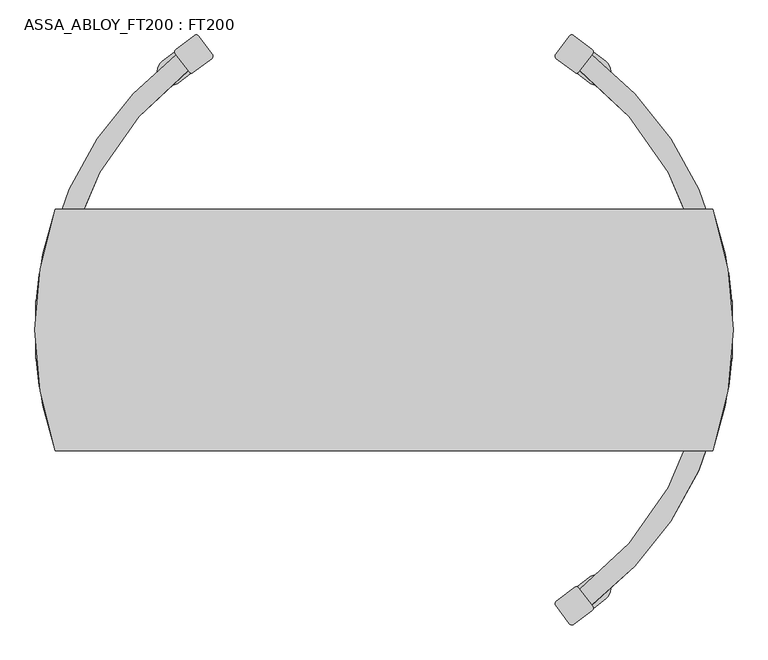
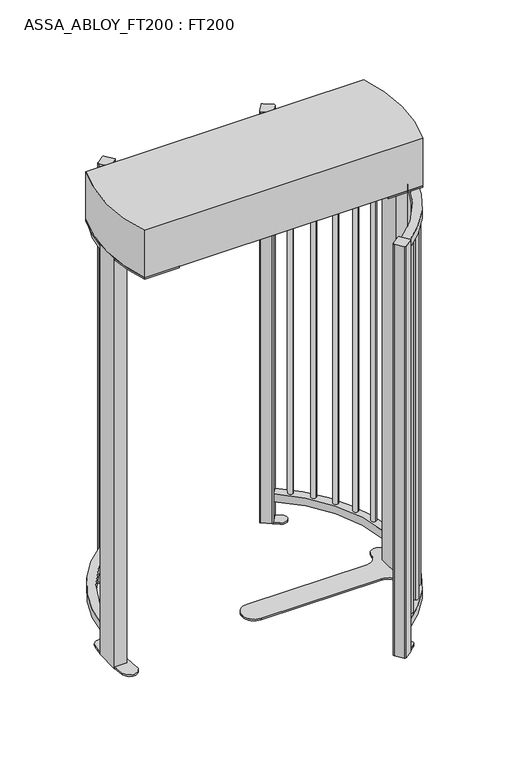
"""IFC4 building model written with IfcOpenShell, lengths in millimetres: proxy geometry, ASSA_ABLOY_FT200 : FT200."""

from ifc_helpers import new_model, si_unit, point, frame, frame_2d, origin, origin_with_axes, origin_2d, place, context, project, spatial, polyline, circle_curve, trimmed, segment, composite_curve, outline, extrude, source, transform, mapped, element, save
from ifc_brep_helpers import plane_surface, cylinder_surface, revolved_surface, advanced_brep


def assa_abloy_ft200_ft200_b0174876(model_context):
    return source(origin(), model_context, "Body", "SolidModel", [
        extrude(outline(composite_curve([segment(trimmed(circle_curve(origin_2d(), 672.9655826), [point((-405.4696607, 537.1005768))], [point((-670.2855178, 60.0))], True, "CARTESIAN"), True, "CONTINUOUS"), segment(polyline([(-670.2855178, 60.0), (-710.4364306, 60.0)]), True, "CONTINUOUS"), segment(trimmed(circle_curve(origin_2d(), 712.9655826), [point((-710.4364306, 60.0))], [point((-429.5701301, 569.0249778))], False, "CARTESIAN"), True, "CONTINUOUS"), segment(polyline([(-429.5701301, 569.0249778), (-405.4696607, 537.1005768)]), True, "CONTINUOUS")], self_intersect=False)), frame((0.0, 0.0, 108.5), z_axis=(0.0, 0.0, 1.0), x_axis=(1.0, 0.0, 0.0)), (0.0, 0.0, 1.0), 40.0),
        extrude(outline(composite_curve([segment(trimmed(circle_curve(origin_2d(), 672.9655826), [point((-405.4696607, 537.1005768))], [point((-670.2855178, 60.0))], True, "CARTESIAN"), True, "CONTINUOUS"), segment(polyline([(-670.2855178, 60.0), (-710.4364306, 60.0)]), True, "CONTINUOUS"), segment(trimmed(circle_curve(origin_2d(), 712.9655826), [point((-710.4364306, 60.0))], [point((-429.5701301, 569.0249778))], False, "CARTESIAN"), True, "CONTINUOUS"), segment(polyline([(-429.5701301, 569.0249778), (-405.4696607, 537.1005768)]), True, "CONTINUOUS")], self_intersect=False)), frame((0.0, 0.0, 2077.0), z_axis=(0.0, 0.0, 1.0), x_axis=(1.0, 0.0, 0.0)), (0.0, 0.0, 1.0), 40.0),
        extrude(outline(composite_curve([segment(trimmed(circle_curve(frame_2d((-388.9402164, 604.1259242)), 6.4), [point((-392.7962915, 609.2338283))], [point((-383.8323123, 607.9819993))], False, "CARTESIAN"), True, "CONTINUOUS"), segment(polyline([(-383.8323123, 607.9819993), (-355.3937584, 570.3112062)]), True, "CONTINUOUS"), segment(trimmed(circle_curve(frame_2d((-360.5016625, 566.4551311)), 6.4), [point((-355.3937584, 570.3112062))], [point((-356.6455874, 561.3472269))], False, "CARTESIAN"), True, "CONTINUOUS"), segment(polyline([(-356.6455874, 561.3472269), (-394.2971249, 532.9232096)]), True, "CONTINUOUS"), segment(trimmed(circle_curve(frame_2d((-398.1532, 538.0311137)), 6.4), [point((-394.2971249, 532.9232096))], [point((-403.2611041, 534.1750386))], False, "CARTESIAN"), True, "CONTINUOUS"), segment(polyline([(-403.2611041, 534.1750386), (-431.699658, 571.8458317)]), True, "CONTINUOUS"), segment(trimmed(circle_curve(frame_2d((-426.5917539, 575.7019068)), 6.4), [point((-431.699658, 571.8458317))], [point((-430.447829, 580.809811))], False, "CARTESIAN"), True, "CONTINUOUS"), segment(polyline([(-430.447829, 580.809811), (-392.7962915, 609.2338283)]), True, "CONTINUOUS")], self_intersect=False)), origin_with_axes(), (0.0, 0.0, 1.0), 2130.0),
        extrude(outline(composite_curve([segment(trimmed(circle_curve(frame_2d((41.8928366, -55.4928491)), 734.3647421), [point((-400.5705382, 530.6110124))], [point((-423.2917391, 512.7455561))], True, "CARTESIAN"), True, "CONTINUOUS"), segment(trimmed(circle_curve(frame_2d((-441.0283859, 534.4114592)), 28.0), [point((-423.2917391, 512.7455561))], [point((-458.7650328, 556.0773623))], False, "CARTESIAN"), True, "CONTINUOUS"), segment(trimmed(circle_curve(frame_2d((41.8928366, -55.4928491)), 790.3647421), [point((-458.7650328, 556.0773623))], [point((-434.3111954, 575.3051737))], False, "CARTESIAN"), True, "CONTINUOUS"), segment(polyline([(-434.3111954, 575.3051737), (-400.5705382, 530.6110124)]), True, "CONTINUOUS")], self_intersect=False)), origin_with_axes(), (0.0, 0.0, 1.0), 8.0),
        advanced_brep(
        [(672.1714963, -168.5710324, 148.5), (677.7624423, -144.2042311, 148.5), (672.1714963, -168.5710324, 2077.0), (677.7971029, -144.2122099, 2077.0)],
        [
            (0, 1, circle_curve(frame((674.9756359, -156.3896203, 148.5), z_axis=(0.0, 0.0, -1.0), x_axis=(0.22571736015093904, 0.9741928316952919, 0.0)), 12.5)),
            (1, 0, circle_curve(frame((674.9756359, -156.3896203, 148.5), z_axis=(0.0, 0.0, -1.0), x_axis=(0.22571736015093904, 0.9741928316952919, 0.0)), 12.5)),
            (2, 3, circle_curve(frame((674.9756359, -156.3896203, 2077.0), z_axis=(0.0, 0.0, 1.0), x_axis=(0.22571736015093904, 0.9741928316952919, 0.0)), 12.5)),
            (3, 2, circle_curve(frame((674.9756359, -156.3896203, 2077.0), z_axis=(0.0, 0.0, 1.0), x_axis=(0.22571736015093904, 0.9741928316952919, 0.0)), 12.5)),
            (1, 3),
            (2, 0),
        ],
        [
            plane_surface(frame((675.0182131, -156.3995588, 148.5), z_axis=(0.0, 0.0, -1.0), x_axis=(0.9741928316952919, -0.22571736015093904, 0.0))),
            plane_surface(frame((675.0182131, -156.3995588, 2077.0), z_axis=(0.0, 0.0, 1.0), x_axis=(0.9741928316952919, -0.22571736015093904, 0.0))),
            cylinder_surface(frame((674.9756359, -156.3896203, 148.5), z_axis=(0.0, 0.0, -1.0), x_axis=(0.22571736015093904, 0.9741928316952919, 0.0)), 12.5),
        ],
        [
            (0, [[1, 2]]),
            (1, [[3, 4]]),
            (2, [[5, -3, 6, -2]]),
            (2, [[-6, -4, -5, -1]]),
        ],
    ),
        advanced_brep(
        [(648.8913928, -243.2502324, 148.5), (639.6786074, -266.4908061, 148.5), (648.8913928, -243.2502324, 2077.0), (639.6455551, -266.4776767, 2077.0)],
        [
            (0, 1, circle_curve(frame((644.2767347, -254.8672428, 148.5), z_axis=(0.0, 0.0, -1.0), x_axis=(0.36785018396747954, 0.9298850693258235, 0.0)), 12.5)),
            (1, 0, circle_curve(frame((644.2767347, -254.8672428, 148.5), z_axis=(0.0, 0.0, -1.0), x_axis=(0.36785018396747954, 0.9298850693258235, 0.0)), 12.5)),
            (2, 3, circle_curve(frame((644.2767347, -254.8672428, 2077.0), z_axis=(0.0, 0.0, 1.0), x_axis=(0.36785018396747954, 0.9298850693258235, 0.0)), 12.5)),
            (3, 2, circle_curve(frame((644.2767347, -254.8672428, 2077.0), z_axis=(0.0, 0.0, 1.0), x_axis=(0.36785018396747954, 0.9298850693258235, 0.0)), 12.5)),
            (1, 3),
            (2, 0),
        ],
        [
            plane_surface(frame((644.3173645, -254.8833925, 148.5), z_axis=(0.0, 0.0, -1.0000000000000002), x_axis=(0.9298850693258235, -0.36785018396747954, 0.0))),
            plane_surface(frame((644.3173645, -254.8833925, 2077.0), z_axis=(0.0, 0.0, 1.0000000000000002), x_axis=(0.9298850693258235, -0.36785018396747954, 0.0))),
            cylinder_surface(frame((644.2767347, -254.8672428, 148.5), z_axis=(0.0, 0.0, -1.0000000000000002), x_axis=(0.36785018396747954, 0.9298850693258235, 0.0)), 12.5),
        ],
        [
            (0, [[1, 2]]),
            (1, [[3, 4]]),
            (2, [[5, -3, 6, -2]]),
            (2, [[-6, -4, -5, -1]]),
        ],
    ),
        advanced_brep(
        [(605.5857382, -336.8926075, 148.5), (593.0246225, -358.5078349, 148.5), (605.5857382, -336.8926075, 2077.0), (592.9938858, -358.4899438, 2077.0)],
        [
            (0, 1, circle_curve(frame((599.297493, -347.6957539, 148.5), z_axis=(0.0, 0.0, -1.0), x_axis=(0.5018296388362806, 0.8649664811918715, 0.0)), 12.5)),
            (1, 0, circle_curve(frame((599.297493, -347.6957539, 148.5), z_axis=(0.0, 0.0, -1.0), x_axis=(0.5018296388362806, 0.8649664811918715, 0.0)), 12.5)),
            (2, 3, circle_curve(frame((599.297493, -347.6957539, 2077.0), z_axis=(0.0, 0.0, 1.0), x_axis=(0.5018296388362806, 0.8649664811918715, 0.0)), 12.5)),
            (3, 2, circle_curve(frame((599.297493, -347.6957539, 2077.0), z_axis=(0.0, 0.0, 1.0), x_axis=(0.5018296388362806, 0.8649664811918715, 0.0)), 12.5)),
            (1, 3),
            (2, 0),
        ],
        [
            plane_surface(frame((599.3352748, -347.7177567, 148.5), z_axis=(0.0, 0.0, -1.0), x_axis=(0.8649664811918715, -0.5018296388362806, 0.0))),
            plane_surface(frame((599.3352748, -347.7177567, 2077.0), z_axis=(0.0, 0.0, 1.0), x_axis=(0.8649664811918715, -0.5018296388362806, 0.0))),
            cylinder_surface(frame((599.297493, -347.6957539, 148.5), z_axis=(0.0, 0.0, -1.0), x_axis=(0.5018296388362806, 0.8649664811918715, 0.0)), 12.5),
        ],
        [
            (0, [[1, 2]]),
            (1, [[3, 4]]),
            (2, [[5, -3, 6, -2]]),
            (2, [[-6, -4, -5, -1]]),
        ],
    ),
        advanced_brep(
        [(548.6950488, -423.2782285, 148.5), (533.0565381, -442.7830143, 148.5), (548.6950488, -423.2782285, 2077.0), (533.0288068, -442.7607475, 2077.0)],
        [
            (0, 1, circle_curve(frame((540.8688566, -433.0250596, 148.5), z_axis=(0.0, 0.0, -1.0), x_axis=(0.6249854827810994, 0.7806363726555894, 0.0)), 12.5)),
            (1, 0, circle_curve(frame((540.8688566, -433.0250596, 148.5), z_axis=(0.0, 0.0, -1.0), x_axis=(0.6249854827810994, 0.7806363726555894, 0.0)), 12.5)),
            (2, 3, circle_curve(frame((540.8688566, -433.0250596, 2077.0), z_axis=(0.0, 0.0, 1.0), x_axis=(0.6249854827810994, 0.7806363726555894, 0.0)), 12.5)),
            (3, 2, circle_curve(frame((540.8688566, -433.0250596, 2077.0), z_axis=(0.0, 0.0, 1.0), x_axis=(0.6249854827810994, 0.7806363726555894, 0.0)), 12.5)),
            (1, 3),
            (2, 0),
        ],
        [
            plane_surface(frame((540.9029426, -433.052441, 148.5), z_axis=(0.0, 0.0, -1.0000000000000002), x_axis=(0.7806363726555894, -0.6249854827810994, 0.0))),
            plane_surface(frame((540.9029426, -433.052441, 2077.0), z_axis=(0.0, 0.0, 1.0000000000000002), x_axis=(0.7806363726555894, -0.6249854827810994, 0.0))),
            cylinder_surface(frame((540.8688566, -433.0250596, 148.5), z_axis=(0.0, 0.0, -1.0000000000000002), x_axis=(0.6249854827810994, 0.7806363726555894, 0.0)), 12.5),
        ],
        [
            (0, [[1, 2]]),
            (1, [[3, 4]]),
            (2, [[5, -3, 6, -2]]),
            (2, [[-6, -4, -5, -1]]),
        ],
    ),
        advanced_brep(
        [(479.7291651, -500.038821, 148.5), (461.3781315, -517.0164405, 148.5), (479.7291651, -500.038821, 2077.0), (461.3750791, -517.0131405, 2077.0)],
        [
            (0, 1, circle_curve(frame((470.5528851, -508.5268058, 148.5), z_axis=(0.0, 0.0, -1.0), x_axis=(0.733980288863185, 0.6791707705432527, 0.0)), 12.5)),
            (1, 0, circle_curve(frame((470.5528851, -508.5268058, 148.5), z_axis=(0.0, 0.0, -1.0), x_axis=(0.733980288863185, 0.6791707705432527, 0.0)), 12.5)),
            (2, 3, circle_curve(frame((470.5528851, -508.5268058, 2077.0), z_axis=(0.0, 0.0, 1.0), x_axis=(0.733980288863185, 0.6791707705432527, 0.0)), 12.5)),
            (3, 2, circle_curve(frame((470.5528851, -508.5268058, 2077.0), z_axis=(0.0, 0.0, 1.0), x_axis=(0.733980288863185, 0.6791707705432527, 0.0)), 12.5)),
            (1, 3),
            (2, 0),
        ],
        [
            plane_surface(frame((470.5974269, -508.5749422, 148.5), z_axis=(0.0, 0.0, -1.0000000000000002), x_axis=(0.6791707705432527, -0.733980288863185, 0.0))),
            plane_surface(frame((470.5974269, -508.5749422, 2077.0), z_axis=(0.0, 0.0, 1.0000000000000002), x_axis=(0.6791707705432527, -0.733980288863185, 0.0))),
            cylinder_surface(frame((470.5528851, -508.5268058, 148.5), z_axis=(0.0, 0.0, -1.0000000000000002), x_axis=(0.733980288863185, 0.6791707705432527, 0.0)), 12.5),
        ],
        [
            (0, [[1, 2]]),
            (1, [[3, 4]]),
            (2, [[5, -3, 6, -2]]),
            (2, [[-6, -4, -5, -1]]),
        ],
    ),
        extrude(outline(composite_curve([segment(trimmed(circle_curve(origin_2d(), 672.9655826), [point((405.4696607, -537.1005768))], [point((670.2855178, -60.0))], True, "CARTESIAN"), True, "CONTINUOUS"), segment(polyline([(670.2855178, -60.0), (710.4364306, -60.0)]), True, "CONTINUOUS"), segment(trimmed(circle_curve(origin_2d(), 712.9655826), [point((710.4364306, -60.0))], [point((429.5701301, -569.0249778))], False, "CARTESIAN"), True, "CONTINUOUS"), segment(polyline([(429.5701301, -569.0249778), (405.4696607, -537.1005768)]), True, "CONTINUOUS")], self_intersect=False)), frame((0.0, 0.0, 108.5), z_axis=(0.0, 0.0, 1.0), x_axis=(1.0, 0.0, 0.0)), (0.0, 0.0, 1.0), 40.0),
        extrude(outline(composite_curve([segment(trimmed(circle_curve(origin_2d(), 672.9655826), [point((405.4696607, -537.1005768))], [point((670.2855178, -60.0))], True, "CARTESIAN"), True, "CONTINUOUS"), segment(polyline([(670.2855178, -60.0), (710.4364306, -60.0)]), True, "CONTINUOUS"), segment(trimmed(circle_curve(origin_2d(), 712.9655826), [point((710.4364306, -60.0))], [point((429.5701301, -569.0249778))], False, "CARTESIAN"), True, "CONTINUOUS"), segment(polyline([(429.5701301, -569.0249778), (405.4696607, -537.1005768)]), True, "CONTINUOUS")], self_intersect=False)), frame((0.0, 0.0, 2077.0), z_axis=(0.0, 0.0, 1.0), x_axis=(1.0, 0.0, 0.0)), (0.0, 0.0, 1.0), 40.0),
        extrude(outline(composite_curve([segment(trimmed(circle_curve(frame_2d((388.9402164, -604.1259242)), 6.4), [point((392.7962915, -609.2338283))], [point((383.8323123, -607.9819993))], False, "CARTESIAN"), True, "CONTINUOUS"), segment(polyline([(383.8323123, -607.9819993), (355.3937584, -570.3112062)]), True, "CONTINUOUS"), segment(trimmed(circle_curve(frame_2d((360.5016625, -566.4551311)), 6.4), [point((355.3937584, -570.3112062))], [point((356.6455874, -561.3472269))], False, "CARTESIAN"), True, "CONTINUOUS"), segment(polyline([(356.6455874, -561.3472269), (394.2971249, -532.9232096)]), True, "CONTINUOUS"), segment(trimmed(circle_curve(frame_2d((398.1532, -538.0311137)), 6.4), [point((394.2971249, -532.9232096))], [point((403.2611041, -534.1750386))], False, "CARTESIAN"), True, "CONTINUOUS"), segment(polyline([(403.2611041, -534.1750386), (431.699658, -571.8458317)]), True, "CONTINUOUS"), segment(trimmed(circle_curve(frame_2d((426.5917539, -575.7019068)), 6.4), [point((431.699658, -571.8458317))], [point((430.447829, -580.809811))], False, "CARTESIAN"), True, "CONTINUOUS"), segment(polyline([(430.447829, -580.809811), (392.7962915, -609.2338283)]), True, "CONTINUOUS")], self_intersect=False)), origin_with_axes(), (0.0, 0.0, 1.0), 2130.0),
        extrude(outline(composite_curve([segment(trimmed(circle_curve(frame_2d((-41.8928366, 55.4928491)), 734.3647421), [point((400.5705382, -530.6110124))], [point((423.2917391, -512.7455561))], True, "CARTESIAN"), True, "CONTINUOUS"), segment(trimmed(circle_curve(frame_2d((441.0283859, -534.4114592)), 28.0), [point((423.2917391, -512.7455561))], [point((458.7650328, -556.0773623))], False, "CARTESIAN"), True, "CONTINUOUS"), segment(trimmed(circle_curve(frame_2d((-41.8928366, 55.4928491)), 790.3647421), [point((458.7650328, -556.0773623))], [point((434.3111954, -575.3051737))], False, "CARTESIAN"), True, "CONTINUOUS"), segment(polyline([(434.3111954, -575.3051737), (400.5705382, -530.6110124)]), True, "CONTINUOUS")], self_intersect=False)), origin_with_axes(), (0.0, 0.0, 1.0), 8.0),
        advanced_brep(
        [(672.1714963, 168.5710324, 148.5), (677.7971029, 144.2122099, 148.5), (672.1714963, 168.5710324, 2077.0), (677.7624423, 144.2042311, 2077.0)],
        [
            (0, 1, circle_curve(frame((674.9756359, 156.3896203, 148.5), z_axis=(0.0, 0.0, -1.0), x_axis=(0.22571736015093904, -0.9741928316952919, 0.0)), 12.5)),
            (1, 0, circle_curve(frame((674.9756359, 156.3896203, 148.5), z_axis=(0.0, 0.0, -1.0), x_axis=(0.22571736015093904, -0.9741928316952919, 0.0)), 12.5)),
            (2, 3, circle_curve(frame((674.9756359, 156.3896203, 2077.0), z_axis=(0.0, 0.0, 1.0), x_axis=(0.22571736015093904, -0.9741928316952919, 0.0)), 12.5)),
            (3, 2, circle_curve(frame((674.9756359, 156.3896203, 2077.0), z_axis=(0.0, 0.0, 1.0), x_axis=(0.22571736015093904, -0.9741928316952919, 0.0)), 12.5)),
            (0, 2),
            (3, 1),
        ],
        [
            plane_surface(frame((675.0182131, 156.3995588, 148.5), z_axis=(0.0, 0.0, -1.0), x_axis=(0.9741928316952919, 0.22571736015093904, 0.0))),
            plane_surface(frame((675.0182131, 156.3995588, 2077.0), z_axis=(0.0, 0.0, 1.0), x_axis=(0.9741928316952919, 0.22571736015093904, 0.0))),
            cylinder_surface(frame((674.9756359, 156.3896203, 148.5), z_axis=(0.0, 0.0, -1.0), x_axis=(0.22571736015093904, -0.9741928316952919, 0.0)), 12.5),
        ],
        [
            (0, [[1, 2]]),
            (1, [[3, 4]]),
            (2, [[-1, 5, -4, 6]]),
            (2, [[-2, -6, -3, -5]]),
        ],
    ),
        advanced_brep(
        [(648.8913928, 243.2502324, 148.5), (639.6455551, 266.4776767, 148.5), (648.8913928, 243.2502324, 2077.0), (639.6786074, 266.4908061, 2077.0)],
        [
            (0, 1, circle_curve(frame((644.2767347, 254.8672428, 148.5), z_axis=(0.0, 0.0, -1.0), x_axis=(0.36785018396747954, -0.9298850693258235, 0.0)), 12.5)),
            (1, 0, circle_curve(frame((644.2767347, 254.8672428, 148.5), z_axis=(0.0, 0.0, -1.0), x_axis=(0.36785018396747954, -0.9298850693258235, 0.0)), 12.5)),
            (2, 3, circle_curve(frame((644.2767347, 254.8672428, 2077.0), z_axis=(0.0, 0.0, 1.0), x_axis=(0.36785018396747954, -0.9298850693258235, 0.0)), 12.5)),
            (3, 2, circle_curve(frame((644.2767347, 254.8672428, 2077.0), z_axis=(0.0, 0.0, 1.0), x_axis=(0.36785018396747954, -0.9298850693258235, 0.0)), 12.5)),
            (0, 2),
            (3, 1),
        ],
        [
            plane_surface(frame((644.3173645, 254.8833925, 148.5), z_axis=(0.0, 0.0, -1.0000000000000002), x_axis=(0.9298850693258235, 0.36785018396747954, 0.0))),
            plane_surface(frame((644.3173645, 254.8833925, 2077.0), z_axis=(0.0, 0.0, 1.0000000000000002), x_axis=(0.9298850693258235, 0.36785018396747954, 0.0))),
            cylinder_surface(frame((644.2767347, 254.8672428, 148.5), z_axis=(0.0, 0.0, -1.0000000000000002), x_axis=(0.36785018396747954, -0.9298850693258235, 0.0)), 12.5),
        ],
        [
            (0, [[1, 2]]),
            (1, [[3, 4]]),
            (2, [[-1, 5, -4, 6]]),
            (2, [[-2, -6, -3, -5]]),
        ],
    ),
        advanced_brep(
        [(605.5857382, 336.8926075, 148.5), (592.9938858, 358.4899438, 148.5), (605.5857382, 336.8926075, 2077.0), (593.0246225, 358.5078349, 2077.0)],
        [
            (0, 1, circle_curve(frame((599.297493, 347.6957539, 148.5), z_axis=(0.0, 0.0, -1.0), x_axis=(0.5018296388362806, -0.8649664811918715, 0.0)), 12.5)),
            (1, 0, circle_curve(frame((599.297493, 347.6957539, 148.5), z_axis=(0.0, 0.0, -1.0), x_axis=(0.5018296388362806, -0.8649664811918715, 0.0)), 12.5)),
            (2, 3, circle_curve(frame((599.297493, 347.6957539, 2077.0), z_axis=(0.0, 0.0, 1.0), x_axis=(0.5018296388362806, -0.8649664811918715, 0.0)), 12.5)),
            (3, 2, circle_curve(frame((599.297493, 347.6957539, 2077.0), z_axis=(0.0, 0.0, 1.0), x_axis=(0.5018296388362806, -0.8649664811918715, 0.0)), 12.5)),
            (0, 2),
            (3, 1),
        ],
        [
            plane_surface(frame((599.3352748, 347.7177567, 148.5), z_axis=(0.0, 0.0, -1.0), x_axis=(0.8649664811918715, 0.5018296388362806, 0.0))),
            plane_surface(frame((599.3352748, 347.7177567, 2077.0), z_axis=(0.0, 0.0, 1.0), x_axis=(0.8649664811918715, 0.5018296388362806, 0.0))),
            cylinder_surface(frame((599.297493, 347.6957539, 148.5), z_axis=(0.0, 0.0, -1.0), x_axis=(0.5018296388362806, -0.8649664811918715, 0.0)), 12.5),
        ],
        [
            (0, [[1, 2]]),
            (1, [[3, 4]]),
            (2, [[-1, 5, -4, 6]]),
            (2, [[-2, -6, -3, -5]]),
        ],
    ),
        advanced_brep(
        [(548.6950488, 423.2782285, 148.5), (533.0288068, 442.7607475, 148.5), (548.6950488, 423.2782285, 2077.0), (533.0565381, 442.7830143, 2077.0)],
        [
            (0, 1, circle_curve(frame((540.8688566, 433.0250596, 148.5), z_axis=(0.0, 0.0, -1.0), x_axis=(0.6249854827810994, -0.7806363726555894, 0.0)), 12.5)),
            (1, 0, circle_curve(frame((540.8688566, 433.0250596, 148.5), z_axis=(0.0, 0.0, -1.0), x_axis=(0.6249854827810994, -0.7806363726555894, 0.0)), 12.5)),
            (2, 3, circle_curve(frame((540.8688566, 433.0250596, 2077.0), z_axis=(0.0, 0.0, 1.0), x_axis=(0.6249854827810994, -0.7806363726555894, 0.0)), 12.5)),
            (3, 2, circle_curve(frame((540.8688566, 433.0250596, 2077.0), z_axis=(0.0, 0.0, 1.0), x_axis=(0.6249854827810994, -0.7806363726555894, 0.0)), 12.5)),
            (0, 2),
            (3, 1),
        ],
        [
            plane_surface(frame((540.9029426, 433.052441, 148.5), z_axis=(0.0, 0.0, -1.0000000000000002), x_axis=(0.7806363726555894, 0.6249854827810994, 0.0))),
            plane_surface(frame((540.9029426, 433.052441, 2077.0), z_axis=(0.0, 0.0, 1.0000000000000002), x_axis=(0.7806363726555894, 0.6249854827810994, 0.0))),
            cylinder_surface(frame((540.8688566, 433.0250596, 148.5), z_axis=(0.0, 0.0, -1.0000000000000002), x_axis=(0.6249854827810994, -0.7806363726555894, 0.0)), 12.5),
        ],
        [
            (0, [[1, 2]]),
            (1, [[3, 4]]),
            (2, [[-1, 5, -4, 6]]),
            (2, [[-2, -6, -3, -5]]),
        ],
    ),
        advanced_brep(
        [(479.7291651, 500.038821, 148.5), (461.3750791, 517.0131405, 148.5), (479.7291651, 500.038821, 2077.0), (461.3781315, 517.0164405, 2077.0)],
        [
            (0, 1, circle_curve(frame((470.5528851, 508.5268058, 148.5), z_axis=(0.0, 0.0, -1.0), x_axis=(0.733980288863185, -0.6791707705432527, 0.0)), 12.5)),
            (1, 0, circle_curve(frame((470.5528851, 508.5268058, 148.5), z_axis=(0.0, 0.0, -1.0), x_axis=(0.733980288863185, -0.6791707705432527, 0.0)), 12.5)),
            (2, 3, circle_curve(frame((470.5528851, 508.5268058, 2077.0), z_axis=(0.0, 0.0, 1.0), x_axis=(0.733980288863185, -0.6791707705432527, 0.0)), 12.5)),
            (3, 2, circle_curve(frame((470.5528851, 508.5268058, 2077.0), z_axis=(0.0, 0.0, 1.0), x_axis=(0.733980288863185, -0.6791707705432527, 0.0)), 12.5)),
            (0, 2),
            (3, 1),
        ],
        [
            plane_surface(frame((470.5974269, 508.5749422, 148.5), z_axis=(0.0, 0.0, -1.0000000000000002), x_axis=(0.6791707705432527, 0.733980288863185, 0.0))),
            plane_surface(frame((470.5974269, 508.5749422, 2077.0), z_axis=(0.0, 0.0, 1.0000000000000002), x_axis=(0.6791707705432527, 0.733980288863185, 0.0))),
            cylinder_surface(frame((470.5528851, 508.5268058, 148.5), z_axis=(0.0, 0.0, -1.0000000000000002), x_axis=(0.733980288863185, -0.6791707705432527, 0.0)), 12.5),
        ],
        [
            (0, [[1, 2]]),
            (1, [[3, 4]]),
            (2, [[-1, 5, -4, 6]]),
            (2, [[-2, -6, -3, -5]]),
        ],
    ),
        extrude(outline(composite_curve([segment(polyline([(405.4696607, 537.1005768), (429.5701301, 569.0249778)]), True, "CONTINUOUS"), segment(trimmed(circle_curve(origin_2d(), 712.9655826), [point((429.5701301, 569.0249778))], [point((710.4364306, 60.0))], False, "CARTESIAN"), True, "CONTINUOUS"), segment(polyline([(710.4364306, 60.0), (670.2855178, 60.0)]), True, "CONTINUOUS"), segment(trimmed(circle_curve(origin_2d(), 672.9655826), [point((670.2855178, 60.0))], [point((405.4696607, 537.1005768))], True, "CARTESIAN"), True, "CONTINUOUS")], self_intersect=False)), frame((0.0, 0.0, 108.5), z_axis=(0.0, 0.0, 1.0), x_axis=(1.0, 0.0, 0.0)), (0.0, 0.0, 1.0), 40.0),
        extrude(outline(composite_curve([segment(polyline([(405.4696607, 537.1005768), (429.5701301, 569.0249778)]), True, "CONTINUOUS"), segment(trimmed(circle_curve(origin_2d(), 712.9655826), [point((429.5701301, 569.0249778))], [point((710.4364306, 60.0))], False, "CARTESIAN"), True, "CONTINUOUS"), segment(polyline([(710.4364306, 60.0), (670.2855178, 60.0)]), True, "CONTINUOUS"), segment(trimmed(circle_curve(origin_2d(), 672.9655826), [point((670.2855178, 60.0))], [point((405.4696607, 537.1005768))], True, "CARTESIAN"), True, "CONTINUOUS")], self_intersect=False)), frame((0.0, 0.0, 2077.0), z_axis=(0.0, 0.0, 1.0), x_axis=(1.0, 0.0, 0.0)), (0.0, 0.0, 1.0), 40.0),
        extrude(outline(composite_curve([segment(polyline([(392.7962915, 609.2338283), (430.447829, 580.809811)]), True, "CONTINUOUS"), segment(trimmed(circle_curve(frame_2d((426.5917539, 575.7019068)), 6.4), [point((430.447829, 580.809811))], [point((431.699658, 571.8458317))], False, "CARTESIAN"), True, "CONTINUOUS"), segment(polyline([(431.699658, 571.8458317), (403.2611041, 534.1750386)]), True, "CONTINUOUS"), segment(trimmed(circle_curve(frame_2d((398.1532, 538.0311137)), 6.4), [point((403.2611041, 534.1750386))], [point((394.2971249, 532.9232096))], False, "CARTESIAN"), True, "CONTINUOUS"), segment(polyline([(394.2971249, 532.9232096), (356.6455874, 561.3472269)]), True, "CONTINUOUS"), segment(trimmed(circle_curve(frame_2d((360.5016625, 566.4551311)), 6.4), [point((356.6455874, 561.3472269))], [point((355.3937584, 570.3112062))], False, "CARTESIAN"), True, "CONTINUOUS"), segment(polyline([(355.3937584, 570.3112062), (383.8323123, 607.9819993)]), True, "CONTINUOUS"), segment(trimmed(circle_curve(frame_2d((388.9402164, 604.1259242)), 6.4), [point((383.8323123, 607.9819993))], [point((392.7962915, 609.2338283))], False, "CARTESIAN"), True, "CONTINUOUS")], self_intersect=False)), origin_with_axes(), (0.0, 0.0, 1.0), 2130.0),
        extrude(outline(composite_curve([segment(polyline([(400.5705382, 530.6110124), (434.3111954, 575.3051737)]), True, "CONTINUOUS"), segment(trimmed(circle_curve(frame_2d((-41.8928366, -55.4928491)), 790.3647421), [point((434.3111954, 575.3051737))], [point((458.7650328, 556.0773623))], False, "CARTESIAN"), True, "CONTINUOUS"), segment(trimmed(circle_curve(frame_2d((441.0283859, 534.4114592)), 28.0), [point((458.7650328, 556.0773623))], [point((423.2917391, 512.7455561))], False, "CARTESIAN"), True, "CONTINUOUS"), segment(trimmed(circle_curve(frame_2d((-41.8928366, -55.4928491)), 734.3647421), [point((423.2917391, 512.7455561))], [point((400.5705382, 530.6110124))], True, "CARTESIAN"), True, "CONTINUOUS")], self_intersect=False)), origin_with_axes(), (0.0, 0.0, 1.0), 8.0),
        extrude(outline(composite_curve([segment(polyline([(-660.5, 60.0), (-720.2316667, 60.0)]), True, "CONTINUOUS"), segment(trimmed(circle_curve(frame_2d((29.3714119, 0.0)), 752.0005156), [point((-720.2316667, 60.0))], [point((-713.6410351, 115.9192782))], False, "CARTESIAN"), True, "CONTINUOUS"), segment(trimmed(circle_curve(frame_2d((-675.7, 110.0)), 38.4), [point((-713.6410351, 115.9192782))], [point((-637.7118538, 104.391012))], False, "CARTESIAN"), True, "CONTINUOUS"), segment(trimmed(circle_curve(frame_2d((69.3, 0.0)), 714.6770213), [point((-637.7118538, 104.391012))], [point((-637.7118538, -104.391012))], True, "CARTESIAN"), True, "CONTINUOUS"), segment(trimmed(circle_curve(frame_2d((-675.7, -110.0)), 38.4), [point((-637.7118538, -104.391012))], [point((-713.6410351, -115.9192782))], False, "CARTESIAN"), True, "CONTINUOUS"), segment(trimmed(circle_curve(frame_2d((29.3714119, 0.0)), 752.0005156), [point((-713.6410351, -115.9192782))], [point((-720.2316667, -60.0))], False, "CARTESIAN"), True, "CONTINUOUS"), segment(polyline([(-720.2316667, -60.0), (-660.5, -60.0), (-660.5, 60.0)]), True, "CONTINUOUS")], self_intersect=False)), origin_with_axes(), (0.0, 0.0, 1.0), 8.0),
        extrude(outline(polyline([(-720.5, 60.0), (-660.5, 60.0), (-660.5, -60.0), (-720.5, -60.0), (-720.5, 60.0)])), origin_with_axes(), (0.0, 0.0, 1.0), 2125.0),
        extrude(outline(composite_curve([segment(polyline([(-511.1, 249.999079), (-511.1, -249.999079), (-680.4571641, -249.999079)]), True, "CONTINUOUS"), segment(trimmed(circle_curve(frame_2d((41.8, -0.000921)), 764.3), [point((-680.4571641, -249.999079))], [point((-720.1413367, -60.0))], False, "CARTESIAN"), True, "CONTINUOUS"), segment(polyline([(-720.1413367, -60.0), (-660.5260248, -60.0), (-660.5260248, 60.0), (-720.1411916, 60.0)]), True, "CONTINUOUS"), segment(trimmed(circle_curve(frame_2d((41.8, -0.000921)), 764.3), [point((-720.1411916, 60.0))], [point((-680.4565265, 249.999079))], False, "CARTESIAN"), True, "CONTINUOUS"), segment(polyline([(-680.4565265, 249.999079), (-511.1, 249.999079)]), True, "CONTINUOUS")], self_intersect=False)), frame((0.0, 0.0, 2117.0), z_axis=(0.0, 0.0, 1.0), x_axis=(1.0, 0.0, 0.0)), (0.0, 0.0, 1.0), 8.0),
        extrude(outline(composite_curve([segment(polyline([(511.1, 249.999079), (680.4565269, 249.999079)]), True, "CONTINUOUS"), segment(trimmed(circle_curve(frame_2d((-41.8, 0.1034443)), 764.2658692), [point((680.4565269, 249.999079))], [point((720.1151668, 60.0))], False, "CARTESIAN"), True, "CONTINUOUS"), segment(polyline([(720.1151668, 60.0), (660.5, 60.0), (660.5, -60.0), (720.167361, -60.0)]), True, "CONTINUOUS"), segment(trimmed(circle_curve(frame_2d((-41.8, 0.1034443)), 764.3341437), [point((720.167361, -60.0))], [point((680.4571641, -249.999079))], False, "CARTESIAN"), True, "CONTINUOUS"), segment(polyline([(680.4571641, -249.999079), (511.1, -249.999079), (511.1, 249.999079)]), True, "CONTINUOUS")], self_intersect=False)), frame((0.0, 0.0, 2117.0), z_axis=(0.0, 0.0, 1.0), x_axis=(1.0, 0.0, 0.0)), (0.0, 0.0, 1.0), 8.0),
        extrude(outline(composite_curve([segment(trimmed(circle_curve(frame_2d((-41.8, -0.000921)), 764.3), [point((680.4565265, 249.999079))], [point((680.4571641, -249.999079))], False, "CARTESIAN"), True, "CONTINUOUS"), segment(polyline([(680.4571641, -249.999079), (-680.4571641, -249.999079)]), True, "CONTINUOUS"), segment(trimmed(circle_curve(frame_2d((41.8, -0.000921)), 764.3), [point((-680.4571641, -249.999079))], [point((-680.4565265, 249.999079))], False, "CARTESIAN"), True, "CONTINUOUS"), segment(polyline([(-680.4565265, 249.999079), (680.4565265, 249.999079)]), True, "CONTINUOUS")], self_intersect=False)), frame((0.0, 0.0, 2125.0), z_axis=(0.0, 0.0, 1.0), x_axis=(1.0, 0.0, 0.0)), (0.0, 0.0, 1.0), 245.0),
        extrude(outline(polyline([(720.5, 60.0), (720.5, -60.0), (660.5, -60.0), (660.5, 60.0), (720.5, 60.0)])), origin_with_axes(), (0.0, 0.0, 1.0), 2125.0),
        advanced_brep(
        [(660.5, 59.9999769, 0.0), (660.5, -59.9991967, 0.0), (720.0173038, -59.9991967, 0.0), (713.2226463, -117.1791282, 0.0), (637.1351405, -109.9974643, 0.0), (587.1446671, -60.0040347, 0.0), (0.0, -60.0, 0.0), (0.0, 60.0, 0.0), (587.1, 60.0, 0.0), (637.0987914, 110.0273153, 0.0), (713.0859265, 117.8952218, 0.0), (720.0173273, 59.9999769, 0.0), (660.5, 59.9999769, 8.0), (720.0173273, 59.9999769, 8.0), (713.0859265, 117.8952218, 8.0), (637.0987913, 110.0273153, 8.0), (587.1, 60.0011188, 8.0), (0.0, 60.0, 8.0), (0.0, -60.0, 8.0), (587.1446671, -60.0040347, 8.0), (637.1351405, -109.9974643, 8.0), (713.2226463, -117.1791282, 8.0), (720.0173038, -59.9991967, 8.0), (660.5, -59.9991967, 8.0)],
        [
            (0, 1),
            (1, 2),
            (2, 3, circle_curve(frame((308.1699861, -40.0532919, 0.0), z_axis=(0.0, 0.0, -1.0), x_axis=(1.0, 0.0, 0.0)), 412.3300282)),
            (3, 4, circle_curve(frame((675.5176067, -109.999734, 0.0), z_axis=(0.0, 0.0, -1.0), x_axis=(1.0, 0.0, 0.0)), 38.3824662)),
            (4, 5, circle_curve(frame((587.1446671, -109.9945082, 0.0), z_axis=(0.0, 0.0, 1.0), x_axis=(1.0, 0.0, 0.0)), 49.9904735)),
            (5, 6),
            (6, 7, circle_curve(frame((0.0, 0.0, 0.0), z_axis=(0.0, 0.0, -1.0), x_axis=(1.0, 0.0, 0.0)), 60.0)),
            (7, 8),
            (8, 9, circle_curve(frame((587.1, 109.9999177, 0.0), z_axis=(0.0, 0.0, 1.0), x_axis=(1.0, 0.0, 0.0)), 49.998799)),
            (9, 10, circle_curve(frame((675.497512, 110.0483564, 0.0), z_axis=(0.0, 0.0, -1.0), x_axis=(1.0, 0.0, 0.0)), 38.3987265)),
            (10, 11, circle_curve(frame((308.1697787, 40.0548399, 0.0), z_axis=(0.0, 0.0, -1.0), x_axis=(1.0, 0.0, 0.0)), 412.3302218)),
            (11, 0),
            (12, 13),
            (13, 14, circle_curve(frame((308.1697787, 40.0548399, 8.0), z_axis=(0.0, 0.0, 1.0), x_axis=(1.0, 0.0, 0.0)), 412.3302218)),
            (14, 15, circle_curve(frame((675.497512, 110.0483564, 8.0), z_axis=(0.0, 0.0, 1.0), x_axis=(1.0, 0.0, 0.0)), 38.3987265)),
            (15, 16, circle_curve(frame((587.1, 109.9999177, 8.0), z_axis=(0.0, 0.0, -1.0), x_axis=(1.0, 0.0, 0.0)), 49.998799)),
            (16, 17),
            (17, 18, circle_curve(frame((0.0, 0.0, 8.0), z_axis=(0.0, 0.0, 1.0), x_axis=(1.0, 0.0, 0.0)), 60.0)),
            (18, 19),
            (19, 20, circle_curve(frame((587.1446671, -109.9945082, 8.0), z_axis=(0.0, 0.0, -1.0), x_axis=(1.0, 0.0, 0.0)), 49.9904735)),
            (20, 21, circle_curve(frame((675.5176067, -109.999734, 8.0), z_axis=(0.0, 0.0, 1.0), x_axis=(1.0, 0.0, 0.0)), 38.3824662)),
            (21, 22, circle_curve(frame((308.1699861, -40.0532919, 8.0), z_axis=(0.0, 0.0, 1.0), x_axis=(1.0, 0.0, 0.0)), 412.3300282)),
            (22, 23),
            (23, 12),
            (6, 18),
            (17, 7),
            (11, 13),
            (12, 0),
            (10, 14),
            (9, 15),
            (8, 16),
            (5, 19),
            (4, 20),
            (3, 21),
            (2, 22),
            (1, 23),
        ],
        [
            plane_surface(frame((720.0173273, 59.9999769, 0.0), z_axis=(0.0, 0.0, -1.0), x_axis=(-1.0, 0.0, 0.0))),
            plane_surface(frame((720.0173273, 59.9999769, 8.0), z_axis=(0.0, 0.0, 1.0), x_axis=(1.0, 0.0, 0.0))),
            cylinder_surface(origin_with_axes(), 60.0),
            plane_surface(frame((660.5, 59.9999769, 8.0), z_axis=(0.0, -1.0, 0.0), x_axis=(0.0, 0.0, -1.0))),
            cylinder_surface(frame((308.1697787, 40.0548399, 0.0), z_axis=(0.0, 0.0, 1.0), x_axis=(1.0, 0.0, 0.0)), 412.3302218),
            cylinder_surface(frame((675.497512, 110.0483564, 0.0), z_axis=(0.0, 0.0, 1.0), x_axis=(1.0, 0.0, 0.0)), 38.3987265),
            revolved_surface(polyline([(637.098799, 109.9999177, 0.0), (637.098799, 109.9999177, 8.0)]), (587.1, 109.9999177, 0.0), (0.0, 0.0, -1.0)),
            plane_surface(frame((587.1, 60.0, 8.0), z_axis=(0.0, 1.0, 0.0), x_axis=(0.0, 0.0, -1.0))),
            plane_surface(frame((570.5, -60.0040347, 8.0), z_axis=(0.0, -1.0, 0.0), x_axis=(0.0, 0.0, -1.0))),
            revolved_surface(polyline([(637.1351406, -109.9945082, 0.0), (637.1351406, -109.9945082, 8.0)]), (587.1446671, -109.9945082, 0.0), (0.0, 0.0, -1.0)),
            cylinder_surface(frame((675.5176067, -109.999734, 0.0), z_axis=(0.0, 0.0, 1.0), x_axis=(1.0, 0.0, 0.0)), 38.3824662),
            cylinder_surface(frame((308.1699861, -40.0532919, 0.0), z_axis=(0.0, 0.0, 1.0), x_axis=(1.0, 0.0, 0.0)), 412.3300282),
            plane_surface(frame((720.0173038, -59.9991967, 8.0), z_axis=(0.0, 1.0, 0.0), x_axis=(0.0, 0.0, -1.0))),
            plane_surface(frame((660.5, -59.9991967, 8.0), z_axis=(1.0, 0.0, 0.0), x_axis=(0.0, 0.0, -1.0))),
        ],
        [
            (0, [[1, 2, 3, 4, 5, 6, 7, 8, 9, 10, 11, 12]]),
            (1, [[13, 14, 15, 16, 17, 18, 19, 20, 21, 22, 23, 24]]),
            (2, [[-7, 25, -18, 26]]),
            (3, [[-12, 27, -13, 28]]),
            (4, [[-11, 29, -14, -27]]),
            (5, [[-10, 30, -15, -29]]),
            (6, [[-9, 31, -16, -30]]),
            (7, [[-8, -26, -17, -31]]),
            (8, [[-6, 32, -19, -25]]),
            (9, [[-5, 33, -20, -32]]),
            (10, [[-4, 34, -21, -33]]),
            (11, [[-3, 35, -22, -34]]),
            (12, [[-2, 36, -23, -35]]),
            (13, [[-1, -28, -24, -36]]),
        ],
    ),
    ])


if __name__ == "__main__":
    model = new_model("IFC4")
    model_context = context("Model", 3, world=origin())
    ifc_project = project(units=[si_unit("LENGTHUNIT", "METRE", prefix="MILLI")], contexts=[model_context])
    site = spatial("IfcSite", under=ifc_project)
    building = spatial("IfcBuilding", under=site)
    placement = place(None, origin())
    assa_abloy_ft200_ft200_shape = assa_abloy_ft200_ft200_b0174876(model_context)
    element("IfcBuildingElementProxy", 1, Name="ASSA_ABLOY_FT200 : FT200", ObjectType="ASSA_ABLOY_FT200 : FT200", at=placement, inside=building, context=model_context, shape_type="MappedRepresentation", body=[
        mapped(assa_abloy_ft200_ft200_shape, transform((0.0, 0.0, 0.0), x_axis=(1.0, 0.0, 0.0), y_axis=(0.0, 1.0, 0.0), z_axis=(0.0, 0.0, 1.0))),
    ])
    save(model, "model.ifc")
